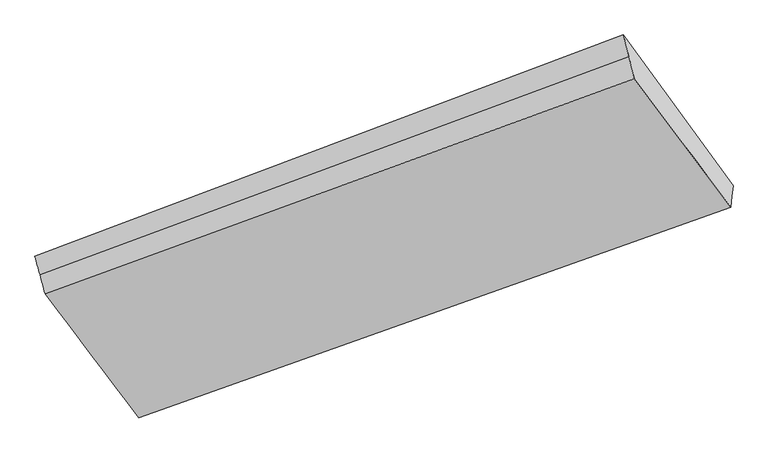
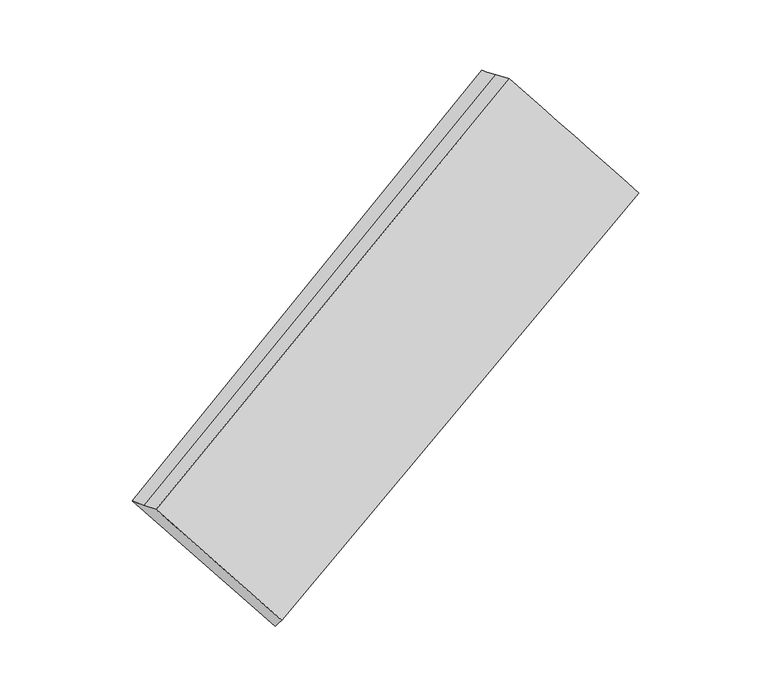
"""IFC4 building model written with IfcOpenShell, lengths in millimetres: proxy geometry."""

from ifc_helpers import new_model, si_unit, frame, origin, place, context, project, spatial, source, transform, mapped, element, save
from ifc_brep_helpers import plane_surface, spline_surface, advanced_brep


def generic_models_5725cbcf(model_context):
    return source(origin(), model_context, "Body", "AdvancedBrep", [
        advanced_brep(
        [(-5225.5552114, -2029.2350786, 1359.5956709), (-4554.3427471, -2919.7040917, 557.7063417), (-311.0685803, -1409.5874394, 2423.5132613), (-1002.2404228, -489.712733, 3246.8234106), (-5262.1031086, -1895.9744797, 1333.0279452), (-1041.8018665, -332.5924825, 3207.4015046), (-5298.6510058, -1762.7138808, 1306.4602196), (-1081.3633103, -175.4722321, 3167.9795985), (-4539.3642155, -2786.7604147, 413.2120699), (-293.702167, -1255.4498428, 2255.9836708), (-4546.8534813, -2853.2322532, 485.4592058), (-302.3853736, -1332.5186411, 2339.7484661)],
        [
            (0, 1),
            (1, 2),
            (2, 3),
            (3, 0),
            (4, 0),
            (3, 5),
            (5, 4),
            (6, 4),
            (5, 7),
            (7, 6),
            (8, 6),
            (7, 9),
            (9, 8),
            (10, 8),
            (9, 11),
            (11, 10),
            (1, 10),
            (11, 2),
        ],
        [
            spline_surface(1, 1, [[(-5225.5552114, -2029.2350786, 1359.5956709), (-1002.2404228, -489.712733, 3246.8234106)], [(-4554.3427471, -2919.7040917, 557.7063417), (-311.0685803, -1409.5874394, 2423.5132613)]], [2, 2], [2, 2], [0.0, 1.0], [0.0, 1.0]),
            spline_surface(1, 1, [[(-5262.1031086, -1895.9744797, 1333.0279452), (-1041.8018665, -332.5924825, 3207.4015046)], [(-5225.5552114, -2029.2350786, 1359.5956709), (-1002.2404228, -489.712733, 3246.8234106)]], [2, 2], [2, 2], [0.0, 1.0], [0.0, 1.0]),
            spline_surface(1, 1, [[(-5298.6510058, -1762.7138808, 1306.4602196), (-1081.3633103, -175.4722321, 3167.9795985)], [(-5262.1031086, -1895.9744797, 1333.0279452), (-1041.8018665, -332.5924825, 3207.4015046)]], [2, 2], [2, 2], [0.0, 1.0], [0.0, 1.0]),
            spline_surface(1, 1, [[(-4539.3642155, -2786.7604147, 413.2120699), (-293.702167, -1255.4498428, 2255.9836708)], [(-5298.6510058, -1762.7138808, 1306.4602196), (-1081.3633103, -175.4722321, 3167.9795985)]], [2, 2], [2, 2], [0.0, 1.0], [0.0, 1.0]),
            plane_surface(frame((-4543.1088484, -2819.9963339, 449.3356378), z_axis=(0.48568099700587447, -0.6677921056137687, -0.56406353616176), x_axis=(0.07606454816112859, 0.6751196343701675, -0.7337763036518246))),
            plane_surface(frame((-4550.5981142, -2886.4681725, 521.5827737), z_axis=(0.48568099700587464, -0.6677921056137676, -0.5640635361617611), x_axis=(0.07606454816112844, 0.6751196343701688, -0.7337763036518234))),
            plane_surface(frame((-672.0936201, -832.5555618, 2773.5749853), z_axis=(0.8702187320283045, 0.3143020694711734, 0.3793857766880406), x_axis=(-0.48675819760954875, 0.6674036922388404, 0.5635945072885885))),
            plane_surface(frame((-4904.4782949, -2374.6033665, 909.2435755), z_axis=(-0.8702187320283037, -0.3143020694711667, -0.37938577668804774), x_axis=(-0.48868951370221536, 0.6483235817953471, 0.5838313904592184))),
        ],
        [
            (0, [[1, 2, 3, 4]]),
            (1, [[5, -4, 6, 7]]),
            (2, [[8, -7, 9, 10]]),
            (3, [[11, -10, 12, 13]]),
            (4, [[14, -13, 15, 16]]),
            (5, [[17, -16, 18, -2]]),
            (6, [[-12, -9, -6, -3, -18, -15]]),
            (7, [[-1, -5, -8, -11, -14, -17]]),
        ],
    ),
    ])


if __name__ == "__main__":
    model = new_model("IFC4")
    model_context = context("Model", 3, world=origin())
    ifc_project = project(units=[si_unit("LENGTHUNIT", "METRE", prefix="MILLI")], contexts=[model_context])
    site = spatial("IfcSite", under=ifc_project)
    building = spatial("IfcBuilding", under=site)
    placement = place(None, origin())
    generic_models_shape = generic_models_5725cbcf(model_context)
    element("IfcBuildingElementProxy", 1, Name="Generic Models", at=placement, inside=building, context=model_context, shape_type="MappedRepresentation", body=[
        mapped(generic_models_shape, transform((0.0, 0.0, 0.0), x_axis=(1.0, 0.0, 0.0), y_axis=(0.0, 1.0, 0.0), z_axis=(0.0, 0.0, 1.0))),
    ])
    save(model, "model.ifc")
